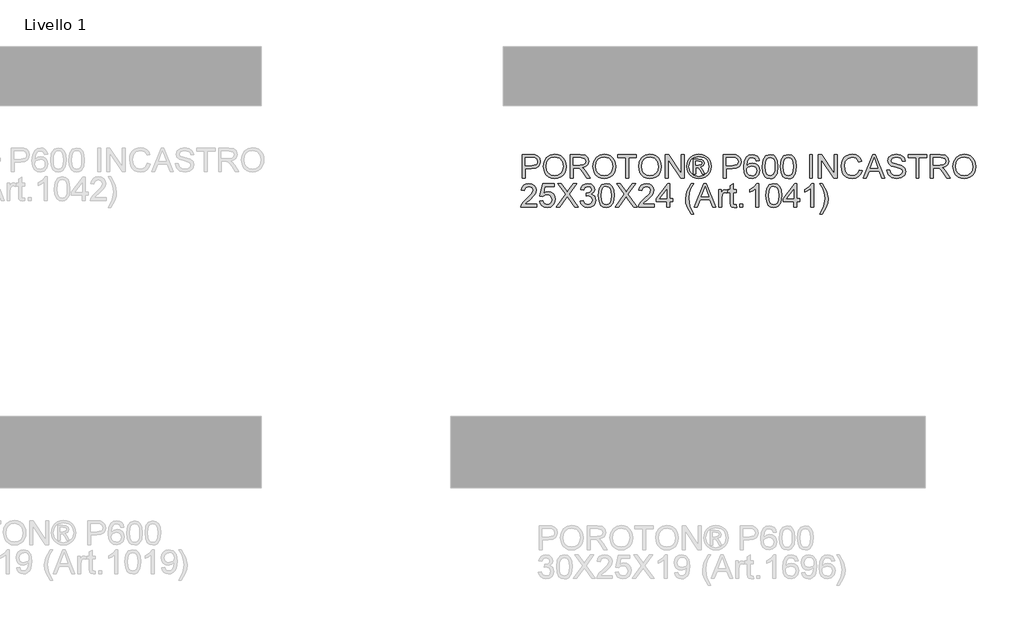
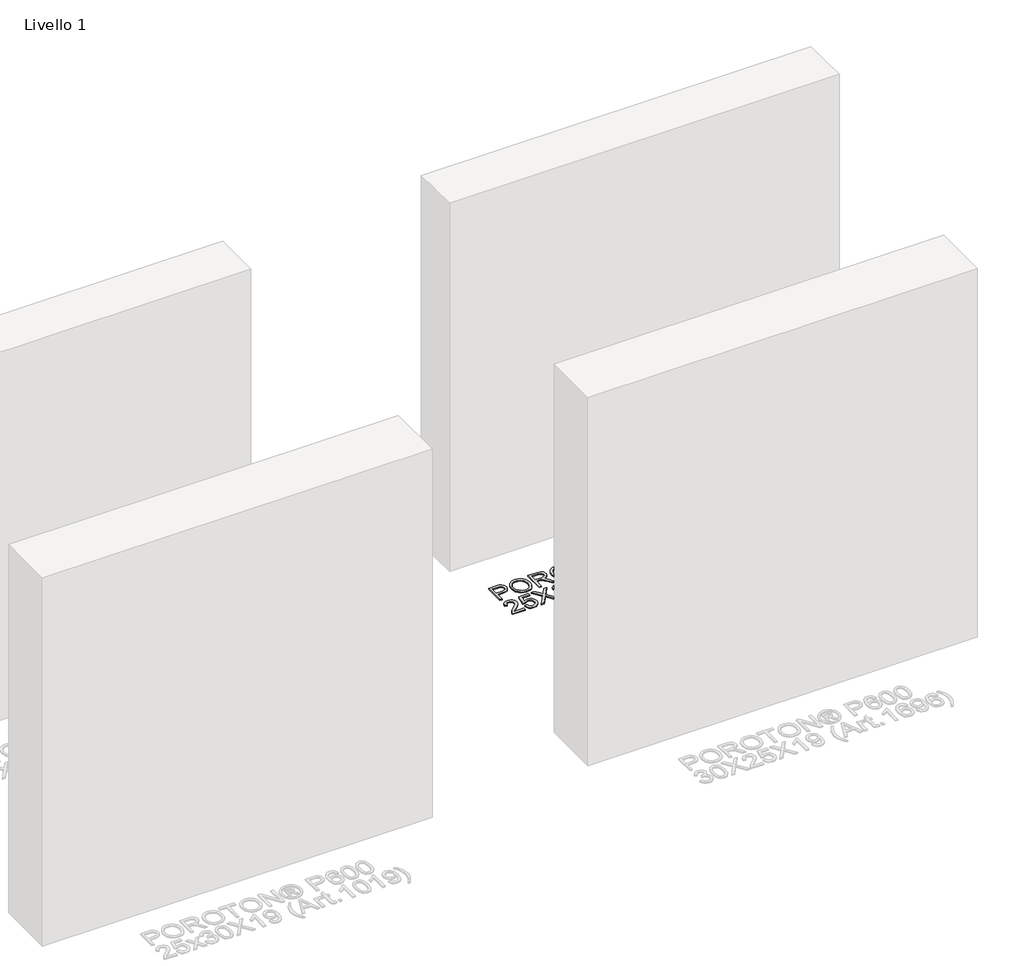
# One storey, part 11 of 11: 1 proxy.
"""IFC4 building model written with IfcOpenShell, lengths in millimetres."""

from ifc_helpers import new_model, si_unit, origin, origin_with_axes, place, context, project, spatial, polyline, outline, extrude, element, save

model = new_model("IFC4")

# Units and contexts
model_context = context("Model", 3, world=origin())
ifc_project = project(units=[si_unit("LENGTHUNIT", "METRE", prefix="MILLI")], contexts=[model_context])

# Site, building, storey
site = spatial("IfcSite", under=ifc_project)
building = spatial("IfcBuilding", under=site)
storey = spatial("IfcBuildingStorey", under=building, Name="Livello 1", Elevation=0.0)

# Proxy
placement = place(None, origin())
element("IfcBuildingElementProxy", 1, Name="100", ObjectType="100", at=placement, inside=storey, context=model_context, shape_type="SweptSolid", body=[
    extrude(outline(polyline([(3797.5184654, 2443.2318777), (3797.5184654, 2543.6881878), (3834.7481233, 2543.6881878), (3849.7577087, 2542.7316947), (3861.9591282, 2538.0350679), (3869.8685911, 2528.3229832), (3872.860698, 2514.6255102), (3870.8404127, 2502.7858414), (3864.7795568, 2492.9204725), (3853.4457257, 2486.2618084), (3835.6065146, 2484.0422537), (3810.0755042, 2484.0422537), (3810.0755042, 2443.2318777), (3797.5184654, 2443.2318777)]), holes=[polyline([(3810.0755042, 2496.5992925), (3836.3422786, 2496.5992925), (3854.8344802, 2501.2100801), (3858.9363645, 2506.7589669), (3860.3036592, 2514.1840518), (3857.0785604, 2524.5828496), (3848.6050118, 2530.2727578), (3836.047973, 2531.1311491), (3810.0755042, 2531.1311491), (3810.0755042, 2496.5992925)])]), origin_with_axes(), (0.0, 0.0, 1.0), 5.0),
    extrude(outline(polyline([(3885.4177368, 2492.1356576), (3888.7654629, 2514.3495987), (3898.8086414, 2531.1556745), (3914.1431892, 2541.7322819), (3933.3650235, 2545.2578177), (3946.5413303, 2543.6023487), (3958.3564737, 2538.6359418), (3968.1666602, 2530.7080848), (3975.3280964, 2520.1682656), (3979.7058921, 2507.5253877), (3981.1651574, 2493.2883545), (3979.6292501, 2478.8612489), (3975.0215281, 2466.0405614), (3967.5964431, 2455.4823481), (3957.608447, 2447.8426654), (3945.8944711, 2443.2073522), (3933.2914471, 2441.6622479), (3919.9128052, 2443.3698334), (3908.0302167, 2448.4925902), (3898.2445557, 2456.5676), (3891.1566959, 2467.1319447), (3885.4177368, 2492.1356576)]), holes=[polyline([(3897.9747755, 2492.0130303), (3900.4855702, 2476.2983377), (3908.017954, 2464.3237788), (3919.3395224, 2456.7454097), (3933.2178707, 2454.2192866), (3947.298554, 2456.7699351), (3958.6385165, 2464.4218806), (3966.1157181, 2476.7643216), (3968.6081186, 2493.3864564), (3964.3406875, 2514.1104754), (3951.8694878, 2527.8324739), (3933.4385999, 2532.7007789), (3919.9311993, 2530.3555312), (3908.4471497, 2523.3197881), (3900.5928691, 2510.8026032), (3897.9747755, 2492.0130303)])]), origin_with_axes(), (0.0, 0.0, 1.0), 5.0),
    extrude(outline(polyline([(3998.4310857, 2443.2318777), (3998.4310857, 2543.6881878), (4041.7185338, 2543.6881878), (4061.8171535, 2540.9781238), (4072.8045624, 2531.3886665), (4076.912578, 2516.1951401), (4075.2111238, 2506.2991144), (4070.1067611, 2498.0953459), (4061.4462058, 2492.0804753), (4049.0761737, 2488.7511432), (4056.2130844, 2483.3800661), (4066.3911529, 2470.4551453), (4083.1420464, 2443.2318777), (4068.549394, 2443.2318777), (4055.4773204, 2464.0539986), (4046.0350159, 2477.8373107), (4039.4008772, 2484.348822), (4033.4289262, 2486.740055), (4026.1448627, 2487.1815134), (4010.9881245, 2487.1815134), (4010.9881245, 2443.2318777), (3998.4310857, 2443.2318777)]), holes=[polyline([(4010.9881245, 2499.7385522), (4039.0943089, 2499.7385522), (4053.429444, 2501.5166485), (4061.5718988, 2507.2065567), (4064.3555392, 2515.7291562), (4059.0457758, 2526.7901415), (4042.2580941, 2531.1311491), (4010.9881245, 2531.1311491), (4010.9881245, 2499.7385522)])]), origin_with_axes(), (0.0, 0.0, 1.0), 5.0),
    extrude(outline(polyline([(4094.1785063, 2492.1356576), (4097.5262325, 2514.3495987), (4107.5694109, 2531.1556745), (4122.9039588, 2541.7322819), (4142.125793, 2545.2578177), (4155.3020998, 2543.6023487), (4167.1172432, 2538.6359418), (4176.9274298, 2530.7080848), (4184.0888659, 2520.1682656), (4188.4666617, 2507.5253877), (4189.9259269, 2493.2883545), (4188.3900196, 2478.8612489), (4183.7822976, 2466.0405614), (4176.3572127, 2455.4823481), (4166.3692165, 2447.8426654), (4154.6552406, 2443.2073522), (4142.0522166, 2441.6622479), (4128.6735747, 2443.3698334), (4116.7909863, 2448.4925902), (4107.0053252, 2456.5676), (4099.9174654, 2467.1319447), (4094.1785063, 2492.1356576)]), holes=[polyline([(4106.7355451, 2492.0130303), (4109.2463397, 2476.2983377), (4116.7787235, 2464.3237788), (4128.1002919, 2456.7454097), (4141.9786402, 2454.2192866), (4156.0593236, 2456.7699351), (4167.3992861, 2464.4218806), (4174.8764876, 2476.7643216), (4177.3688881, 2493.3864564), (4173.101457, 2514.1104754), (4160.6302574, 2527.8324739), (4142.1993694, 2532.7007789), (4128.6919688, 2530.3555312), (4117.2079192, 2523.3197881), (4109.3536386, 2510.8026032), (4106.7355451, 2492.0130303)])]), origin_with_axes(), (0.0, 0.0, 1.0), 5.0),
    extrude(outline(polyline([(4232.3059328, 2443.2318777), (4232.3059328, 2531.1311491), (4199.343706, 2531.1311491), (4199.343706, 2543.6881878), (4277.8251983, 2543.6881878), (4277.8251983, 2531.1311491), (4244.8629715, 2531.1311491), (4244.8629715, 2443.2318777), (4232.3059328, 2443.2318777)])), origin_with_axes(), (0.0, 0.0, 1.0), 5.0),
    extrude(outline(polyline([(4287.2429774, 2492.1356576), (4290.5907035, 2514.3495987), (4300.633882, 2531.1556745), (4315.9684298, 2541.7322819), (4335.1902641, 2545.2578177), (4348.3665709, 2543.6023487), (4360.1817143, 2538.6359418), (4369.9919008, 2530.7080848), (4377.153337, 2520.1682656), (4381.5311327, 2507.5253877), (4382.990398, 2493.2883545), (4381.4544907, 2478.8612489), (4376.8467687, 2466.0405614), (4369.4216837, 2455.4823481), (4359.4336876, 2447.8426654), (4347.7197117, 2443.2073522), (4335.1166877, 2441.6622479), (4321.7380458, 2443.3698334), (4309.8554573, 2448.4925902), (4300.0697963, 2456.5676), (4292.9819365, 2467.1319447), (4287.2429774, 2492.1356576)]), holes=[polyline([(4299.8000161, 2492.0130303), (4302.3108108, 2476.2983377), (4309.8431946, 2464.3237788), (4321.164763, 2456.7454097), (4335.0431113, 2454.2192866), (4349.1237946, 2456.7699351), (4360.4637571, 2464.4218806), (4367.9409587, 2476.7643216), (4370.4333592, 2493.3864564), (4366.1659281, 2514.1104754), (4353.6947284, 2527.8324739), (4335.2638405, 2532.7007789), (4321.7564399, 2530.3555312), (4310.2723903, 2523.3197881), (4302.4181097, 2510.8026032), (4299.8000161, 2492.0130303)])]), origin_with_axes(), (0.0, 0.0, 1.0), 5.0),
    extrude(outline(polyline([(4400.2563263, 2443.2318777), (4400.2563263, 2543.6881878), (4413.6962818, 2543.6881878), (4466.1807798, 2464.1030496), (4466.1807798, 2543.6881878), (4478.7378186, 2543.6881878), (4478.7378186, 2443.2318777), (4465.297863, 2443.2318777), (4412.8133651, 2522.8415415), (4412.8133651, 2443.2318777), (4400.2563263, 2443.2318777)])), origin_with_axes(), (0.0, 0.0, 1.0), 5.0),
    extrude(outline(polyline([(4541.5475379, 2545.2578177), (4554.4418018, 2543.5839546), (4567.0294974, 2538.5623654), (4578.0874171, 2530.4260419), (4586.3923531, 2519.4079762), (4591.5886863, 2506.6853905), (4593.3207974, 2493.4355073), (4591.6132118, 2480.3021201), (4586.490455, 2467.6837676), (4578.2866865, 2456.7055558), (4567.3360658, 2448.4925902), (4554.7269104, 2443.3698334), (4541.5475379, 2441.6622479), (4528.3865595, 2443.3698334), (4515.7835355, 2448.4925902), (4504.8237177, 2456.7055558), (4496.5923581, 2467.6837676), (4491.4420102, 2480.3021201), (4489.7252275, 2493.4355073), (4491.4665356, 2506.6853905), (4496.69046, 2519.4079762), (4505.0229872, 2530.4260419), (4516.0901038, 2538.5623654), (4528.6716681, 2543.5839546), (4541.5475379, 2545.2578177)]), holes=[polyline([(4541.5475379, 2535.8400386), (4520.725417, 2530.3585969), (4511.6969797, 2523.6968671), (4504.869703, 2514.6745612), (4499.1430066, 2493.4355073), (4504.7593384, 2472.3803945), (4520.4801623, 2456.6963587), (4541.5475379, 2451.0800269), (4562.6271762, 2456.6963587), (4578.311212, 2472.3803945), (4583.9030183, 2493.4355073), (4578.2131101, 2514.6745612), (4571.4042275, 2523.6968671), (4562.3573961, 2530.3585969), (4541.5475379, 2535.8400386)])]), origin_with_axes(), (0.0, 0.0, 1.0), 5.0),
    extrude(outline(polyline([(4517.9785647, 2462.0674359), (4517.9785647, 2524.8526297), (4538.2611254, 2524.8526297), (4553.3197618, 2523.1235843), (4560.7387153, 2517.0903196), (4563.4978303, 2507.9300579), (4558.7398898, 2496.0106813), (4546.1338001, 2490.3207731), (4551.0388934, 2486.9853097), (4559.5982811, 2474.4527964), (4566.63709, 2462.0674359), (4556.0420885, 2462.0674359), (4550.5238586, 2472.0247752), (4541.2777578, 2486.4457494), (4533.2579303, 2488.7511432), (4527.3963438, 2488.7511432), (4527.3963438, 2462.0674359), (4517.9785647, 2462.0674359)]), holes=[polyline([(4527.3963438, 2498.1689223), (4539.3157205, 2498.1689223), (4550.965317, 2500.5601553), (4554.0800512, 2506.8999883), (4552.5839978, 2511.4617251), (4548.4269312, 2514.453832), (4538.555431, 2515.4348506), (4527.3963438, 2515.4348506), (4527.3963438, 2498.1689223)])]), origin_with_axes(), (0.0, 0.0, 1.0), 5.0),
    extrude(outline(polyline([(4643.5489524, 2443.2318777), (4643.5489524, 2543.6881878), (4680.7786103, 2543.6881878), (4695.7881958, 2542.7316947), (4707.9896153, 2538.0350679), (4715.8990782, 2528.3229832), (4718.891185, 2514.6255102), (4716.8708998, 2502.7858414), (4710.8100439, 2492.9204725), (4699.4762128, 2486.2618084), (4681.6370017, 2484.0422537), (4656.1059912, 2484.0422537), (4656.1059912, 2443.2318777), (4643.5489524, 2443.2318777)]), holes=[polyline([(4656.1059912, 2496.5992925), (4682.3727657, 2496.5992925), (4700.8649673, 2501.2100801), (4704.9668515, 2506.7589669), (4706.3341463, 2514.1840518), (4703.1090475, 2524.5828496), (4694.6354988, 2530.2727578), (4682.0784601, 2531.1311491), (4656.1059912, 2531.1311491), (4656.1059912, 2496.5992925)])]), origin_with_axes(), (0.0, 0.0, 1.0), 5.0),
    extrude(outline(polyline([(4795.8030475, 2517.0044805), (4783.2460087, 2515.4348506), (4778.4880683, 2525.9072247), (4765.906504, 2531.1311491), (4754.5757386, 2528.0899913), (4746.0040881, 2516.6733867), (4742.4356327, 2494.2938986), (4753.5088808, 2504.3125516), (4767.2308792, 2507.5867014), (4778.8314248, 2505.3487526), (4788.5680349, 2498.6349062), (4795.1715167, 2488.3771299), (4797.3726774, 2475.5073914), (4793.2278735, 2458.1801494), (4781.8235317, 2445.9174163), (4765.3669438, 2441.6622479), (4751.1207135, 2444.4826765), (4739.7746196, 2452.9439624), (4732.3526004, 2467.8799714), (4729.878594, 2490.1245694), (4732.6254462, 2515.1344137), (4740.8660029, 2532.2347951), (4752.1170606, 2540.8248397), (4766.691319, 2543.6881878), (4777.7093847, 2541.9162229), (4786.5324212, 2536.6003281), (4792.7128387, 2528.1574363), (4795.8030475, 2517.0044805)]), holes=[polyline([(4742.4356327, 2475.7035951), (4745.3419005, 2464.8265508), (4753.0674224, 2456.9293507), (4764.3859251, 2454.2192866), (4772.6724671, 2455.6233696), (4779.1870441, 2459.8356184), (4783.40849, 2466.4574943), (4784.8156386, 2475.0904585), (4783.4268841, 2483.3770004), (4779.2606205, 2489.6953737), (4772.6356789, 2493.6960904), (4763.8708903, 2495.0296626), (4748.6773639, 2489.6953737), (4743.9960655, 2483.5302846), (4742.4356327, 2475.7035951)])]), origin_with_axes(), (0.0, 0.0, 1.0), 5.0),
    extrude(outline(polyline([(4808.3600863, 2492.6506924), (4812.051169, 2521.5539545), (4823.0140524, 2538.2190089), (4841.322313, 2543.6881878), (4855.9885419, 2540.4508263), (4866.1175595, 2531.1188863), (4872.0036714, 2516.2564537), (4874.2845398, 2492.6506924), (4870.6302453, 2463.8700576), (4859.7041501, 2447.168215), (4851.4727904, 2443.0387397), (4841.322313, 2441.6622479), (4828.2747649, 2444.0534808), (4818.3664765, 2451.2271797), (4810.8616838, 2468.2171965), (4808.3600863, 2492.6506924)]), holes=[polyline([(4820.917125, 2492.6752179), (4822.388653, 2472.9230204), (4826.803237, 2461.4910874), (4833.3760619, 2456.0372368), (4841.322313, 2454.2192866), (4849.2685641, 2456.0433682), (4855.8413891, 2461.5156129), (4860.2559731, 2472.9536772), (4861.727501, 2492.6752179), (4860.305024, 2511.9828912), (4856.0375928, 2523.503729), (4849.4770306, 2529.2242941), (4841.1751602, 2531.1311491), (4833.3147483, 2529.4511546), (4826.9994407, 2524.4111713), (4822.437704, 2512.1729636), (4820.917125, 2492.6752179)])]), origin_with_axes(), (0.0, 0.0, 1.0), 5.0),
    extrude(outline(polyline([(4885.2719487, 2492.6506924), (4888.9630314, 2521.5539545), (4899.9259149, 2538.2190089), (4918.2341755, 2543.6881878), (4932.9004044, 2540.4508263), (4943.029422, 2531.1188863), (4948.9155339, 2516.2564537), (4951.1964023, 2492.6506924), (4947.5421078, 2463.8700576), (4936.6160125, 2447.168215), (4928.3846529, 2443.0387397), (4918.2341755, 2441.6622479), (4905.1866274, 2444.0534808), (4895.278339, 2451.2271797), (4887.7735463, 2468.2171965), (4885.2719487, 2492.6506924)]), holes=[polyline([(4897.8289875, 2492.6752179), (4899.3005155, 2472.9230204), (4903.7150994, 2461.4910874), (4910.2879244, 2456.0372368), (4918.2341755, 2454.2192866), (4926.1804266, 2456.0433682), (4932.7532516, 2461.5156129), (4937.1678355, 2472.9536772), (4938.6393635, 2492.6752179), (4937.2168865, 2511.9828912), (4932.9494553, 2523.503729), (4926.3888931, 2529.2242941), (4918.0870227, 2531.1311491), (4910.2266107, 2529.4511546), (4903.9113032, 2524.4111713), (4899.3495664, 2512.1729636), (4897.8289875, 2492.6752179)])]), origin_with_axes(), (0.0, 0.0, 1.0), 5.0),
    extrude(outline(polyline([(5007.7030767, 2443.2318777), (5007.7030767, 2543.6881878), (5020.2601155, 2543.6881878), (5020.2601155, 2443.2318777), (5007.7030767, 2443.2318777)])), origin_with_axes(), (0.0, 0.0, 1.0), 5.0),
    extrude(outline(polyline([(5045.374193, 2443.2318777), (5045.374193, 2543.6881878), (5058.8141486, 2543.6881878), (5111.2986466, 2464.1030496), (5111.2986466, 2543.6881878), (5123.8556853, 2543.6881878), (5123.8556853, 2443.2318777), (5110.4157298, 2443.2318777), (5057.9312318, 2522.8415415), (5057.9312318, 2443.2318777), (5045.374193, 2443.2318777)])), origin_with_axes(), (0.0, 0.0, 1.0), 5.0),
    extrude(outline(polyline([(5216.4638463, 2478.9409567), (5229.020885, 2475.7035951), (5223.2267436, 2461.0710888), (5214.133927, 2450.3810511), (5202.1900248, 2443.8419487), (5187.842627, 2441.6622479), (5173.2775657, 2443.3115855), (5161.7107426, 2448.2595983), (5152.8447866, 2456.3346081), (5146.3823262, 2467.3649366), (5141.1216136, 2494.2203222), (5142.60847, 2508.868157), (5147.0690392, 2521.5171663), (5154.2703293, 2531.7657455), (5163.9793483, 2539.2122902), (5175.4940547, 2543.7464358), (5188.1124072, 2545.2578177), (5201.8803908, 2543.3019118), (5213.2632729, 2537.4341939), (5221.9054341, 2528.0164149), (5227.4512552, 2515.4103252), (5214.8942164, 2512.4182183), (5204.5935205, 2527.8569993), (5187.6218978, 2532.7007789), (5167.9769993, 2527.3297018), (5156.8792258, 2512.9087276), (5153.6786524, 2494.2448477), (5157.467837, 2472.6133864), (5169.2645863, 2458.7932861), (5186.5918282, 2454.2192866), (5197.0733994, 2455.7766537), (5205.8075311, 2460.4487551), (5212.4018159, 2468.1865397), (5216.4638463, 2478.9409567)])), origin_with_axes(), (0.0, 0.0, 1.0), 5.0),
    extrude(outline(polyline([(5234.5881659, 2443.2318777), (5274.6873034, 2543.6881878), (5285.3804067, 2543.6881878), (5325.4795442, 2443.2318777), (5312.2112669, 2443.2318777), (5300.7088232, 2474.6244746), (5259.3343614, 2474.6244746), (5247.8564432, 2443.2318777), (5234.5881659, 2443.2318777)]), holes=[polyline([(5263.9451491, 2487.1815134), (5296.1225609, 2487.1815134), (5287.0726639, 2511.878658), (5280.033855, 2531.1311491), (5273.7798611, 2514.036899), (5263.9451491, 2487.1815134)])]), origin_with_axes(), (0.0, 0.0, 1.0), 5.0),
    extrude(outline(polyline([(5334.1860847, 2477.7637343), (5346.7431235, 2477.7637343), (5350.7898254, 2465.1944328), (5360.6735884, 2457.2481817), (5375.7322247, 2454.2192866), (5388.8533492, 2456.5124177), (5397.3268978, 2462.8154626), (5400.1105382, 2471.2399603), (5398.0258736, 2479.0758468), (5389.4910113, 2484.7780177), (5371.2072762, 2489.5727464), (5351.5255894, 2495.7654266), (5340.8447488, 2505.1096293), (5337.3253444, 2517.5930917), (5341.6786147, 2531.8055994), (5354.395069, 2541.8365151), (5373.0098979, 2545.2578177), (5392.8755257, 2541.6770996), (5406.1192775, 2531.1556745), (5411.0979472, 2515.4348506), (5398.5409084, 2515.4348506), (5396.2355146, 2522.9273806), (5391.4285232, 2528.3352459), (5373.5004073, 2532.7007789), (5355.5232404, 2528.3842969), (5349.8823832, 2517.9609737), (5353.8800342, 2509.2544331), (5374.3833241, 2502.2401497), (5396.6033966, 2495.9371049), (5408.7557651, 2485.7590363), (5412.667577, 2471.5587913), (5408.1671539, 2456.5369432), (5395.2177077, 2445.5740597), (5376.222734, 2441.6622479), (5353.7941951, 2445.8806281), (5339.6062128, 2458.5848196), (5334.1860847, 2477.7637343)])), origin_with_axes(), (0.0, 0.0, 1.0), 5.0),
    extrude(outline(polyline([(5456.6172127, 2443.2318777), (5456.6172127, 2531.1311491), (5423.6549859, 2531.1311491), (5423.6549859, 2543.6881878), (5502.1364782, 2543.6881878), (5502.1364782, 2531.1311491), (5469.1742515, 2531.1311491), (5469.1742515, 2443.2318777), (5456.6172127, 2443.2318777)])), origin_with_axes(), (0.0, 0.0, 1.0), 5.0),
    extrude(outline(polyline([(5516.2631469, 2443.2318777), (5516.2631469, 2543.6881878), (5559.550595, 2543.6881878), (5579.6492146, 2540.9781238), (5590.6366236, 2531.3886665), (5594.7446392, 2516.1951401), (5593.0431849, 2506.2991144), (5587.9388223, 2498.0953459), (5579.278267, 2492.0804753), (5566.9082349, 2488.7511432), (5574.0451456, 2483.3800661), (5584.2232141, 2470.4551453), (5600.9741076, 2443.2318777), (5586.3814551, 2443.2318777), (5573.3093816, 2464.0539986), (5563.867077, 2477.8373107), (5557.2329384, 2484.348822), (5551.2609873, 2486.740055), (5543.9769238, 2487.1815134), (5528.8201856, 2487.1815134), (5528.8201856, 2443.2318777), (5516.2631469, 2443.2318777)]), holes=[polyline([(5528.8201856, 2499.7385522), (5556.9263701, 2499.7385522), (5571.2615051, 2501.5166485), (5579.40396, 2507.2065567), (5582.1876004, 2515.7291562), (5576.8778369, 2526.7901415), (5560.0901552, 2531.1311491), (5528.8201856, 2531.1311491), (5528.8201856, 2499.7385522)])]), origin_with_axes(), (0.0, 0.0, 1.0), 5.0),
    extrude(outline(polyline([(5612.0105675, 2492.1356576), (5615.3582936, 2514.3495987), (5625.4014721, 2531.1556745), (5640.7360199, 2541.7322819), (5659.9578542, 2545.2578177), (5673.134161, 2543.6023487), (5684.9493044, 2538.6359418), (5694.7594909, 2530.7080848), (5701.9209271, 2520.1682656), (5706.2987228, 2507.5253877), (5707.7579881, 2493.2883545), (5706.2220808, 2478.8612489), (5701.6143588, 2466.0405614), (5694.1892738, 2455.4823481), (5684.2012777, 2447.8426654), (5672.4873018, 2443.2073522), (5659.8842778, 2441.6622479), (5646.5056359, 2443.3698334), (5634.6230474, 2448.4925902), (5624.8373864, 2456.5676), (5617.7495266, 2467.1319447), (5612.0105675, 2492.1356576)]), holes=[polyline([(5624.5676062, 2492.0130303), (5627.0784009, 2476.2983377), (5634.6107847, 2464.3237788), (5645.9323531, 2456.7454097), (5659.8107014, 2454.2192866), (5673.8913847, 2456.7699351), (5685.2313472, 2464.4218806), (5692.7085488, 2476.7643216), (5695.2009493, 2493.3864564), (5690.9335182, 2514.1104754), (5678.4623185, 2527.8324739), (5660.0314306, 2532.7007789), (5646.52403, 2530.3555312), (5635.0399804, 2523.3197881), (5627.1856998, 2510.8026032), (5624.5676062, 2492.0130303)])]), origin_with_axes(), (0.0, 0.0, 1.0), 5.0),
    extrude(outline(polyline([(3857.1643995, 2333.8140986), (3857.1643995, 2321.2570599), (3791.239946, 2321.2570599), (3792.5888467, 2329.9145495), (3800.2162667, 2343.2441404), (3815.9370906, 2357.8000047), (3837.6176029, 2378.7202275), (3843.0377309, 2392.944998), (3837.9241712, 2404.4597044), (3824.5700548, 2409.1563312), (3810.6518526, 2404.570069), (3805.3666146, 2391.8904029), (3792.8095759, 2393.4600328), (3795.8537994, 2405.60627), (3802.4358214, 2414.4783574), (3812.2122854, 2419.9046169), (3824.8398349, 2421.71337), (3837.5593549, 2419.7022818), (3847.3174248, 2413.669017), (3853.5254335, 2404.6559082), (3855.5947697, 2393.7052874), (3853.3629523, 2381.7981735), (3845.9439987, 2369.4863894), (3827.9545691, 2352.2817748), (3813.5090695, 2340.2029826), (3807.8436867, 2333.8140986), (3857.1643995, 2333.8140986)])), origin_with_axes(), (0.0, 0.0, 1.0), 5.0),
    extrude(outline(polyline([(3869.7214383, 2347.9407672), (3882.2784771, 2349.5103971), (3888.6060474, 2336.5732136), (3901.7271719, 2332.2444688), (3910.728018, 2333.7497193), (3917.4725213, 2338.2654708), (3921.6847701, 2345.2705571), (3923.0888531, 2354.2438121), (3917.8281405, 2369.1552956), (3911.2215931, 2373.2571799), (3901.9233756, 2374.6244746), (3890.8991785, 2372.4417081), (3883.8481069, 2366.7763254), (3871.2910682, 2368.3459552), (3882.2784771, 2420.1437402), (3930.9370023, 2420.1437402), (3930.9370023, 2407.5867014), (3892.4320201, 2407.5867014), (3887.060943, 2379.9219754), (3896.0311323, 2385.3666289), (3905.4305173, 2387.1815134), (3917.1628873, 2384.9313019), (3926.9025631, 2378.1806672), (3933.4600597, 2367.8922341), (3935.6458918, 2355.028627), (3933.6777232, 2342.4715882), (3927.7732172, 2331.729434), (3916.4669772, 2322.697931), (3901.678121, 2319.68743), (3889.3448771, 2321.6218762), (3879.5193621, 2327.4252146), (3872.7840559, 2336.4229951), (3869.7214383, 2347.9407672)])), origin_with_axes(), (0.0, 0.0, 1.0), 5.0),
    extrude(outline(polyline([(3940.3547814, 2321.2570599), (3979.0804927, 2375.9979007), (3946.6333008, 2421.71337), (3961.6919371, 2421.71337), (3979.9634095, 2395.9861558), (3986.1193016, 2385.9552401), (3993.3297887, 2396.1578341), (4011.4050574, 2421.71337), (4026.6844229, 2421.71337), (3994.2372309, 2375.8507479), (4032.9629423, 2321.2570599), (4017.904306, 2321.2570599), (3992.1035154, 2357.6528519), (3986.7324382, 2365.2066955), (3980.8218009, 2356.9170879), (3955.6341469, 2321.2570599), (3940.3547814, 2321.2570599)])), origin_with_axes(), (0.0, 0.0, 1.0), 5.0),
    extrude(outline(polyline([(4040.8110915, 2347.9407672), (4053.3681303, 2349.5103971), (4060.2965745, 2336.2911707), (4073.2582835, 2332.2444688), (4081.8667222, 2333.636289), (4088.5131236, 2337.8117496), (4094.1785063, 2351.5950617), (4088.5621745, 2364.5812962), (4074.2883531, 2369.7193814), (4065.4837107, 2368.3459552), (4066.8816623, 2380.902994), (4068.8927505, 2380.7558412), (4083.1420464, 2384.3610848), (4087.8877242, 2388.9350842), (4089.4696168, 2395.4465955), (4084.8833546, 2405.2690448), (4073.0620798, 2409.1563312), (4061.0936522, 2405.2322566), (4054.9377602, 2393.4600328), (4042.3807214, 2395.0296626), (4046.0779354, 2406.3052458), (4052.6568918, 2414.7236121), (4061.6577379, 2419.9659305), (4072.6206214, 2421.71337), (4087.7650969, 2418.267542), (4098.3600983, 2408.8497629), (4102.0266555, 2396.1823595), (4098.5440393, 2384.6063394), (4088.2433434, 2376.2922063), (4101.9285537, 2367.7082931), (4106.7355451, 2351.3743325), (4104.3320494, 2339.1361248), (4097.1215623, 2328.9090054), (4086.2383866, 2321.9928238), (4072.8168251, 2319.68743), (4060.6767193, 2321.6555987), (4050.7929563, 2327.5601047), (4043.9196944, 2336.5916077), (4040.8110915, 2347.9407672)])), origin_with_axes(), (0.0, 0.0, 1.0), 5.0),
    extrude(outline(polyline([(4117.722954, 2370.6758745), (4121.4140367, 2399.5791366), (4132.3769201, 2416.244191), (4150.6851808, 2421.71337), (4165.3514096, 2418.4760084), (4175.4804272, 2409.1440685), (4181.3665392, 2394.2816359), (4183.6474075, 2370.6758745), (4179.993113, 2341.8952398), (4169.0670178, 2325.1933972), (4160.8356581, 2321.0639218), (4150.6851808, 2319.68743), (4137.6376327, 2322.078663), (4127.7293443, 2329.2523619), (4120.2245516, 2346.2423787), (4117.722954, 2370.6758745)]), holes=[polyline([(4130.2799928, 2370.7004), (4131.7515207, 2350.9482025), (4136.1661047, 2339.5162695), (4142.7389297, 2334.062419), (4150.6851808, 2332.2444688), (4158.6314319, 2334.0685503), (4165.2042568, 2339.540795), (4169.6188408, 2350.9788594), (4171.0903688, 2370.7004), (4169.6678917, 2390.0080734), (4165.4004606, 2401.5289112), (4158.8398983, 2407.2494762), (4150.538028, 2409.1563312), (4142.677616, 2407.4763368), (4136.3623084, 2402.4363535), (4131.8005717, 2390.1981458), (4130.2799928, 2370.7004)])]), origin_with_axes(), (0.0, 0.0, 1.0), 5.0),
    extrude(outline(polyline([(4188.3562971, 2321.2570599), (4227.0820084, 2375.9979007), (4194.6348165, 2421.71337), (4209.6934528, 2421.71337), (4227.9649252, 2395.9861558), (4234.1208173, 2385.9552401), (4241.3313044, 2396.1578341), (4259.4065731, 2421.71337), (4274.6859386, 2421.71337), (4242.2387466, 2375.8507479), (4280.964458, 2321.2570599), (4265.9058217, 2321.2570599), (4240.1050311, 2357.6528519), (4234.7339539, 2365.2066955), (4228.8233165, 2356.9170879), (4203.6356626, 2321.2570599), (4188.3562971, 2321.2570599)])), origin_with_axes(), (0.0, 0.0, 1.0), 5.0),
    extrude(outline(polyline([(4353.1674309, 2333.8140986), (4353.1674309, 2321.2570599), (4287.2429774, 2321.2570599), (4288.591878, 2329.9145495), (4296.2192981, 2343.2441404), (4311.940122, 2357.8000047), (4333.6206342, 2378.7202275), (4339.0407623, 2392.944998), (4333.9272026, 2404.4597044), (4320.5730861, 2409.1563312), (4306.654884, 2404.570069), (4301.369646, 2391.8904029), (4288.8126072, 2393.4600328), (4291.8568307, 2405.60627), (4298.4388528, 2414.4783574), (4308.2153168, 2419.9046169), (4320.8428663, 2421.71337), (4333.5623862, 2419.7022818), (4343.3204562, 2413.669017), (4349.5284648, 2404.6559082), (4351.5978011, 2393.7052874), (4349.3659836, 2381.7981735), (4341.9470301, 2369.4863894), (4323.9576005, 2352.2817748), (4309.5121008, 2340.2029826), (4303.8467181, 2333.8140986), (4353.1674309, 2333.8140986)])), origin_with_axes(), (0.0, 0.0, 1.0), 5.0),
    extrude(outline(polyline([(4406.5348457, 2321.2570599), (4406.5348457, 2344.8015075), (4361.0155801, 2344.8015075), (4361.0155801, 2357.3585463), (4409.6741054, 2420.1437402), (4419.0918844, 2420.1437402), (4419.0918844, 2357.3585463), (4431.6489232, 2357.3585463), (4431.6489232, 2344.8015075), (4419.0918844, 2344.8015075), (4419.0918844, 2321.2570599), (4406.5348457, 2321.2570599)]), holes=[polyline([(4406.5348457, 2357.3585463), (4406.5348457, 2396.1578341), (4376.4666239, 2357.3585463), (4406.5348457, 2357.3585463)])]), origin_with_axes(), (0.0, 0.0, 1.0), 5.0),
    extrude(outline(polyline([(4510.1304155, 2293.0037226), (4492.3004015, 2322.4588077), (4486.8373539, 2339.6388969), (4485.016338, 2357.4321227), (4490.4609915, 2387.9663283), (4510.1304155, 2421.71337), (4519.5481946, 2421.71337), (4507.8004962, 2401.8232168), (4500.7371619, 2382.5462003), (4497.5733767, 2357.3585463), (4503.0670812, 2325.1688717), (4519.5481946, 2293.0037226), (4510.1304155, 2293.0037226)])), origin_with_axes(), (0.0, 0.0, 1.0), 5.0),
    extrude(outline(polyline([(4521.9762158, 2321.2570599), (4562.0753532, 2421.71337), (4572.7684566, 2421.71337), (4612.867594, 2321.2570599), (4599.5993167, 2321.2570599), (4588.096873, 2352.6496568), (4546.7224113, 2352.6496568), (4535.2444931, 2321.2570599), (4521.9762158, 2321.2570599)]), holes=[polyline([(4551.333199, 2365.2066955), (4583.5106108, 2365.2066955), (4574.4607137, 2389.9038402), (4567.4219049, 2409.1563312), (4561.167911, 2392.0620812), (4551.333199, 2365.2066955)])]), origin_with_axes(), (0.0, 0.0, 1.0), 5.0),
    extrude(outline(polyline([(4624.7133943, 2321.2570599), (4624.7133943, 2395.0296626), (4635.7008032, 2395.0296626), (4635.7008032, 2384.1158301), (4643.4999015, 2394.1712713), (4651.3480507, 2396.5992925), (4663.9541404, 2392.7242688), (4659.7602857, 2381.4670797), (4650.9311178, 2384.0422537), (4643.8309953, 2381.5651816), (4639.3060468, 2374.698051), (4637.2704331, 2360.0318221), (4637.2704331, 2321.2570599), (4624.7133943, 2321.2570599)])), origin_with_axes(), (0.0, 0.0, 1.0), 5.0),
    extrude(outline(polyline([(4698.485997, 2331.729434), (4700.0556269, 2320.8891779), (4690.6623733, 2319.68743), (4680.1409482, 2321.7720946), (4674.8924984, 2327.2412736), (4673.3719195, 2341.4905696), (4673.3719195, 2382.4726239), (4663.9541404, 2382.4726239), (4663.9541404, 2395.0296626), (4673.3719195, 2395.0296626), (4673.3719195, 2412.9577785), (4685.9289583, 2420.3399439), (4685.9289583, 2395.0296626), (4698.485997, 2395.0296626), (4698.485997, 2382.4726239), (4685.9289583, 2382.4726239), (4685.9289583, 2341.8584516), (4686.5911459, 2335.3837285), (4688.7371242, 2333.0905974), (4693.0168181, 2332.2444688), (4698.485997, 2331.729434)])), origin_with_axes(), (0.0, 0.0, 1.0), 5.0),
    extrude(outline(polyline([(4714.1822955, 2321.2570599), (4714.1822955, 2333.8140986), (4726.7393343, 2333.8140986), (4726.7393343, 2321.2570599), (4714.1822955, 2321.2570599)])), origin_with_axes(), (0.0, 0.0, 1.0), 5.0),
    extrude(outline(polyline([(4794.2334177, 2321.2570599), (4781.6763789, 2321.2570599), (4781.6763789, 2399.5423484), (4769.7815277, 2391.0687998), (4756.5623014, 2384.7289668), (4756.5623014, 2396.5992925), (4774.9686638, 2408.3469908), (4786.1400138, 2421.71337), (4794.2334177, 2421.71337), (4794.2334177, 2321.2570599)])), origin_with_axes(), (0.0, 0.0, 1.0), 5.0),
    extrude(outline(polyline([(4824.0563847, 2370.6758745), (4827.7474674, 2399.5791366), (4838.7103509, 2416.244191), (4857.0186115, 2421.71337), (4871.6848404, 2418.4760084), (4881.813858, 2409.1440685), (4887.6999699, 2394.2816359), (4889.9808383, 2370.6758745), (4886.3265438, 2341.8952398), (4875.4004485, 2325.1933972), (4867.1690889, 2321.0639218), (4857.0186115, 2319.68743), (4843.9710634, 2322.078663), (4834.062775, 2329.2523619), (4826.5579823, 2346.2423787), (4824.0563847, 2370.6758745)]), holes=[polyline([(4836.6134235, 2370.7004), (4838.0849515, 2350.9482025), (4842.4995354, 2339.5162695), (4849.0723604, 2334.062419), (4857.0186115, 2332.2444688), (4864.9648626, 2334.0685503), (4871.5376876, 2339.540795), (4875.9522715, 2350.9788594), (4877.4237995, 2370.7004), (4876.0013225, 2390.0080734), (4871.7338913, 2401.5289112), (4865.1733291, 2407.2494762), (4856.8714587, 2409.1563312), (4849.0110467, 2407.4763368), (4842.6957392, 2402.4363535), (4838.1340024, 2390.1981458), (4836.6134235, 2370.7004)])]), origin_with_axes(), (0.0, 0.0, 1.0), 5.0),
    extrude(outline(polyline([(4941.7786232, 2321.2570599), (4941.7786232, 2344.8015075), (4896.2593577, 2344.8015075), (4896.2593577, 2357.3585463), (4944.9178829, 2420.1437402), (4954.335662, 2420.1437402), (4954.335662, 2357.3585463), (4966.8927007, 2357.3585463), (4966.8927007, 2344.8015075), (4954.335662, 2344.8015075), (4954.335662, 2321.2570599), (4941.7786232, 2321.2570599)]), holes=[polyline([(4941.7786232, 2357.3585463), (4941.7786232, 2396.1578341), (4911.7104015, 2357.3585463), (4941.7786232, 2357.3585463)])]), origin_with_axes(), (0.0, 0.0, 1.0), 5.0),
    extrude(outline(polyline([(5024.969005, 2321.2570599), (5012.4119663, 2321.2570599), (5012.4119663, 2399.5423484), (5000.5171151, 2391.0687998), (4987.2978887, 2384.7289668), (4987.2978887, 2396.5992925), (5005.7042512, 2408.3469908), (5016.8756011, 2421.71337), (5024.969005, 2421.71337), (5024.969005, 2321.2570599)])), origin_with_axes(), (0.0, 0.0, 1.0), 5.0),
    extrude(outline(polyline([(5061.0704915, 2293.0037226), (5051.6527124, 2293.0037226), (5068.1338258, 2325.1688717), (5073.6275303, 2357.3585463), (5070.4637451, 2382.3254711), (5063.4739872, 2401.6270131), (5051.6527124, 2421.71337), (5061.0704915, 2421.71337), (5080.7399155, 2387.9663283), (5086.184569, 2357.4321227), (5084.3543561, 2339.6388969), (5078.8637173, 2322.4588077), (5061.0704915, 2293.0037226)])), origin_with_axes(), (0.0, 0.0, 1.0), 5.0),
])

save(model, "model.ifc")
